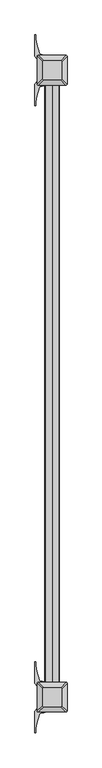
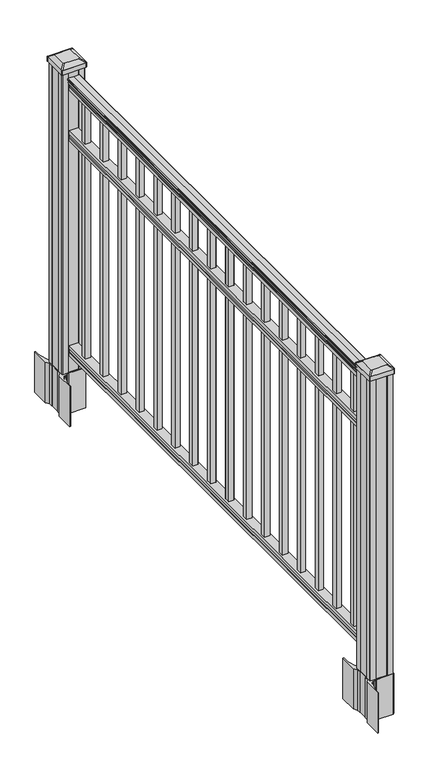
"""IFC4 building model written with IfcOpenShell, lengths in millimetres: railing geometry."""

from ifc_helpers import new_model, si_unit, point, frame, frame_2d, origin, origin_with_axes, place, context, project, spatial, polyline, circle_curve, trimmed, segment, composite_curve, outline, extrude, source, transform, mapped, element, save
from ifc_brep_helpers import plane_surface, extruded_surface, advanced_brep


def railing_04714b37(model_context):
    return source(origin(), model_context, "Body", "SolidModel", [
        extrude(outline(composite_curve([segment(polyline([(1090.8043297, 2185.0080205), (1092.692412, 2185.0080205)]), True, "CONTINUOUS"), segment(trimmed(circle_curve(frame_2d((1098.4506383, 2178.6932672)), 8.545951), [point((1092.692412, 2185.0080205))], [point((1094.2546695, 2186.1382068))], False, "CARTESIAN"), True, "CONTINUOUS"), segment(trimmed(circle_curve(frame_2d((1097.8636577, 2179.1303302)), 7.882584), [point((1094.2546695, 2186.1382068))], [point((1101.4726458, 2186.1382068))], False, "CARTESIAN"), True, "CONTINUOUS"), segment(trimmed(circle_curve(frame_2d((1103.7112527, 2189.6436543)), 4.1592695), [point((1101.4726458, 2186.1382068))], [point((1103.9060812, 2185.4889504))], True, "CARTESIAN"), True, "CONTINUOUS"), segment(trimmed(circle_curve(frame_2d((1103.6508864, 2190.9309609)), 5.4479907), [point((1103.9060812, 2185.4889504))], [point((1108.2362083, 2187.9889504))], True, "CARTESIAN"), True, "CONTINUOUS"), segment(trimmed(circle_curve(frame_2d((1108.233395, 2189.6978025)), 1.7088543), [point((1108.2362083, 2187.9889504))], [point((1109.9157972, 2189.3982929))], True, "CARTESIAN"), True, "CONTINUOUS"), segment(trimmed(circle_curve(frame_2d((1111.0205318, 2188.0809024)), 1.7192895), [point((1109.9157972, 2189.3982929))], [point((1111.0205318, 2189.8001919))], False, "CARTESIAN"), True, "CONTINUOUS"), segment(polyline([(1111.0205318, 2189.8001919), (1112.3608158, 2189.8001918)]), True, "CONTINUOUS"), segment(trimmed(circle_curve(frame_2d((1112.3608158, 2188.2467446)), 1.5534472), [point((1112.3608158, 2189.8001918))], [point((1113.914263, 2188.2467446))], False, "CARTESIAN"), True, "CONTINUOUS"), segment(polyline([(1113.914263, 2188.2467446), (1113.914263, 2167.5751918), (1113.914263, 2146.903639)]), True, "CONTINUOUS"), segment(trimmed(circle_curve(frame_2d((1112.3608158, 2146.903639)), 1.5534472), [point((1113.914263, 2146.903639))], [point((1112.3608158, 2145.3501918))], False, "CARTESIAN"), True, "CONTINUOUS"), segment(polyline([(1112.3608158, 2145.3501918), (1111.0205318, 2145.3501918)]), True, "CONTINUOUS"), segment(trimmed(circle_curve(frame_2d((1111.0205318, 2147.0694812)), 1.7192895), [point((1111.0205318, 2145.3501918))], [point((1109.9157972, 2145.7520907))], False, "CARTESIAN"), True, "CONTINUOUS"), segment(trimmed(circle_curve(frame_2d((1108.233395, 2145.4525811)), 1.7088543), [point((1109.9157972, 2145.7520907))], [point((1108.2362083, 2147.1614332))], True, "CARTESIAN"), True, "CONTINUOUS"), segment(trimmed(circle_curve(frame_2d((1103.6508864, 2144.2194227)), 5.4479907), [point((1108.2362083, 2147.1614332))], [point((1103.9060812, 2149.6614332))], True, "CARTESIAN"), True, "CONTINUOUS"), segment(trimmed(circle_curve(frame_2d((1103.7112527, 2145.5067292)), 4.1592695), [point((1103.9060812, 2149.6614332))], [point((1101.4726458, 2149.0121768))], True, "CARTESIAN"), True, "CONTINUOUS"), segment(trimmed(circle_curve(frame_2d((1097.8636577, 2156.0200534)), 7.882584), [point((1101.4726458, 2149.0121768))], [point((1094.2546695, 2149.0121768))], False, "CARTESIAN"), True, "CONTINUOUS"), segment(trimmed(circle_curve(frame_2d((1098.4506383, 2156.4571163)), 8.545951), [point((1094.2546695, 2149.0121768))], [point((1092.692412, 2150.1423631))], False, "CARTESIAN"), True, "CONTINUOUS"), segment(polyline([(1092.692412, 2150.1423631), (1090.8043297, 2150.1423631)]), True, "CONTINUOUS"), segment(trimmed(circle_curve(frame_2d((1090.8043297, 2151.4292774)), 1.2869144), [point((1090.8043297, 2150.1423631))], [point((1090.8043297, 2152.7161918))], False, "CARTESIAN"), True, "CONTINUOUS"), segment(polyline([(1090.8043297, 2152.7161918), (1080.3048283, 2152.7161918), (1079.2888283, 2151.7001918), (1066.8, 2151.7001918), (1066.8, 2183.4501918), (1079.131013, 2183.4501918), (1080.147013, 2182.4341918), (1090.8043297, 2182.4341918)]), True, "CONTINUOUS"), segment(trimmed(circle_curve(frame_2d((1090.8043297, 2183.7211062)), 1.2869144), [point((1090.8043297, 2182.4341918))], [point((1090.8043297, 2185.0080205))], False, "CARTESIAN"), True, "CONTINUOUS")], self_intersect=False)), frame((0.0, -127774.2908968, 0.0), z_axis=(0.0, 1.0, 0.0), x_axis=(0.0, 0.0, 1.0)), (0.0, 0.0, 1.0), 1828.8),
        extrude(outline(polyline([(888.8541976, 2183.4876787), (890.1546183, 2182.4716787), (900.5141717, 2182.4716787), (901.8624492, 2183.4876787), (914.3958781, 2183.4876787), (914.3958781, 2151.7376787), (901.8458024, 2151.7376787), (900.4975248, 2152.7536787), (890.1858283, 2152.7536787), (888.8375508, 2151.7376787), (876.3, 2151.7376787), (876.3, 2183.4876787), (888.8541976, 2183.4876787)])), frame((0.0, -127774.2908968, 0.0), z_axis=(0.0, 1.0, 0.0), x_axis=(0.0, 0.0, 1.0)), (0.0, 0.0, 1.0), 1828.8),
        extrude(outline(polyline([(76.0541976, 2183.4876787), (77.3546183, 2182.4716787), (87.7141717, 2182.4716787), (89.0624492, 2183.4876787), (101.5958781, 2183.4876787), (101.5958781, 2151.7376787), (89.0458024, 2151.7376787), (87.6975248, 2152.7536787), (77.3858283, 2152.7536787), (76.0375508, 2151.7376787), (63.5, 2151.7376787), (63.5, 2183.4876787), (76.0541976, 2183.4876787)])), frame((0.0, -127774.2908968, 0.0), z_axis=(0.0, 1.0, 0.0), x_axis=(0.0, 0.0, 1.0)), (0.0, 0.0, 1.0), 1828.8),
        extrude(outline(polyline([(2177.1001918, -126034.0098968), (2158.0501918, -126034.0098968), (2158.0501918, -126014.9598968), (2177.1001918, -126014.9598968), (2177.1001918, -126034.0098968)]), holes=[polyline([(2176.7033168, -126033.6130218), (2176.7033168, -126015.3567718), (2158.4470668, -126015.3567718), (2158.4470668, -126033.6130218), (2176.7033168, -126033.6130218)])]), frame((0.0, 0.0, 101.5958781), z_axis=(0.0, 0.0, 1.0), x_axis=(1.0, 0.0, 0.0)), (0.0, 0.0, 1.0), 965.2041219),
        extrude(outline(polyline([(2177.1001918, -126145.2618968), (2158.0501918, -126145.2618968), (2158.0501918, -126126.2118968), (2177.1001918, -126126.2118968), (2177.1001918, -126145.2618968)]), holes=[polyline([(2176.7033168, -126144.8650218), (2176.7033168, -126126.6087718), (2158.4470668, -126126.6087718), (2158.4470668, -126144.8650218), (2176.7033168, -126144.8650218)])]), frame((0.0, 0.0, 101.5958781), z_axis=(0.0, 0.0, 1.0), x_axis=(1.0, 0.0, 0.0)), (0.0, 0.0, 1.0), 965.2041219),
        extrude(outline(polyline([(2177.1001918, -126256.5138968), (2158.0501918, -126256.5138968), (2158.0501918, -126237.4638968), (2177.1001918, -126237.4638968), (2177.1001918, -126256.5138968)]), holes=[polyline([(2176.7033168, -126256.1170218), (2176.7033168, -126237.8607718), (2158.4470668, -126237.8607718), (2158.4470668, -126256.1170218), (2176.7033168, -126256.1170218)])]), frame((0.0, 0.0, 101.5958781), z_axis=(0.0, 0.0, 1.0), x_axis=(1.0, 0.0, 0.0)), (0.0, 0.0, 1.0), 965.2041219),
        extrude(outline(polyline([(2177.1001918, -126367.7658968), (2158.0501918, -126367.7658968), (2158.0501918, -126348.7158968), (2177.1001918, -126348.7158968), (2177.1001918, -126367.7658968)]), holes=[polyline([(2176.7033168, -126367.3690218), (2176.7033168, -126349.1127718), (2158.4470668, -126349.1127718), (2158.4470668, -126367.3690218), (2176.7033168, -126367.3690218)])]), frame((0.0, 0.0, 101.5958781), z_axis=(0.0, 0.0, 1.0), x_axis=(1.0, 0.0, 0.0)), (0.0, 0.0, 1.0), 965.2041219),
        extrude(outline(polyline([(2177.1001918, -126479.0178968), (2158.0501918, -126479.0178968), (2158.0501918, -126459.9678968), (2177.1001918, -126459.9678968), (2177.1001918, -126479.0178968)]), holes=[polyline([(2176.7033168, -126478.6210218), (2176.7033168, -126460.3647718), (2158.4470668, -126460.3647718), (2158.4470668, -126478.6210218), (2176.7033168, -126478.6210218)])]), frame((0.0, 0.0, 101.5958781), z_axis=(0.0, 0.0, 1.0), x_axis=(1.0, 0.0, 0.0)), (0.0, 0.0, 1.0), 965.2041219),
        extrude(outline(polyline([(2177.1001918, -126590.2698968), (2158.0501918, -126590.2698968), (2158.0501918, -126571.2198968), (2177.1001918, -126571.2198968), (2177.1001918, -126590.2698968)]), holes=[polyline([(2176.7033168, -126589.8730218), (2176.7033168, -126571.6167718), (2158.4470668, -126571.6167718), (2158.4470668, -126589.8730218), (2176.7033168, -126589.8730218)])]), frame((0.0, 0.0, 101.5958781), z_axis=(0.0, 0.0, 1.0), x_axis=(1.0, 0.0, 0.0)), (0.0, 0.0, 1.0), 965.2041219),
        extrude(outline(polyline([(2177.1001918, -126701.5218968), (2158.0501918, -126701.5218968), (2158.0501918, -126682.4718968), (2177.1001918, -126682.4718968), (2177.1001918, -126701.5218968)]), holes=[polyline([(2176.7033168, -126701.1250218), (2176.7033168, -126682.8687718), (2158.4470668, -126682.8687718), (2158.4470668, -126701.1250218), (2176.7033168, -126701.1250218)])]), frame((0.0, 0.0, 101.5958781), z_axis=(0.0, 0.0, 1.0), x_axis=(1.0, 0.0, 0.0)), (0.0, 0.0, 1.0), 965.2041219),
        extrude(outline(polyline([(2177.1001918, -126812.7738968), (2158.0501918, -126812.7738968), (2158.0501918, -126793.7238968), (2177.1001918, -126793.7238968), (2177.1001918, -126812.7738968)]), holes=[polyline([(2176.7033168, -126812.3770218), (2176.7033168, -126794.1207718), (2158.4470668, -126794.1207718), (2158.4470668, -126812.3770218), (2176.7033168, -126812.3770218)])]), frame((0.0, 0.0, 101.5958781), z_axis=(0.0, 0.0, 1.0), x_axis=(1.0, 0.0, 0.0)), (0.0, 0.0, 1.0), 965.2041219),
        extrude(outline(polyline([(2177.1001918, -126924.0258968), (2158.0501918, -126924.0258968), (2158.0501918, -126904.9758968), (2177.1001918, -126904.9758968), (2177.1001918, -126924.0258968)]), holes=[polyline([(2176.7033168, -126923.6290218), (2176.7033168, -126905.3727718), (2158.4470668, -126905.3727718), (2158.4470668, -126923.6290218), (2176.7033168, -126923.6290218)])]), frame((0.0, 0.0, 101.5958781), z_axis=(0.0, 0.0, 1.0), x_axis=(1.0, 0.0, 0.0)), (0.0, 0.0, 1.0), 965.2041219),
        extrude(outline(polyline([(2177.1001918, -127035.2778968), (2158.0501918, -127035.2778968), (2158.0501918, -127016.2278968), (2177.1001918, -127016.2278968), (2177.1001918, -127035.2778968)]), holes=[polyline([(2176.7033168, -127034.8810218), (2176.7033168, -127016.6247718), (2158.4470668, -127016.6247718), (2158.4470668, -127034.8810218), (2176.7033168, -127034.8810218)])]), frame((0.0, 0.0, 101.5958781), z_axis=(0.0, 0.0, 1.0), x_axis=(1.0, 0.0, 0.0)), (0.0, 0.0, 1.0), 965.2041219),
        extrude(outline(polyline([(2177.1001918, -127146.5298968), (2158.0501918, -127146.5298968), (2158.0501918, -127127.4798968), (2177.1001918, -127127.4798968), (2177.1001918, -127146.5298968)]), holes=[polyline([(2176.7033168, -127146.1330218), (2176.7033168, -127127.8767718), (2158.4470668, -127127.8767718), (2158.4470668, -127146.1330218), (2176.7033168, -127146.1330218)])]), frame((0.0, 0.0, 101.5958781), z_axis=(0.0, 0.0, 1.0), x_axis=(1.0, 0.0, 0.0)), (0.0, 0.0, 1.0), 965.2041219),
        extrude(outline(polyline([(2177.1001918, -127257.7818968), (2158.0501918, -127257.7818968), (2158.0501918, -127238.7318968), (2177.1001918, -127238.7318968), (2177.1001918, -127257.7818968)]), holes=[polyline([(2176.7033168, -127257.3850218), (2176.7033168, -127239.1287718), (2158.4470668, -127239.1287718), (2158.4470668, -127257.3850218), (2176.7033168, -127257.3850218)])]), frame((0.0, 0.0, 101.5958781), z_axis=(0.0, 0.0, 1.0), x_axis=(1.0, 0.0, 0.0)), (0.0, 0.0, 1.0), 965.2041219),
        extrude(outline(polyline([(2177.1001918, -127369.0338968), (2158.0501918, -127369.0338968), (2158.0501918, -127349.9838968), (2177.1001918, -127349.9838968), (2177.1001918, -127369.0338968)]), holes=[polyline([(2176.7033168, -127368.6370218), (2176.7033168, -127350.3807718), (2158.4470668, -127350.3807718), (2158.4470668, -127368.6370218), (2176.7033168, -127368.6370218)])]), frame((0.0, 0.0, 101.5958781), z_axis=(0.0, 0.0, 1.0), x_axis=(1.0, 0.0, 0.0)), (0.0, 0.0, 1.0), 965.2041219),
        extrude(outline(polyline([(2177.1001918, -127480.2858968), (2158.0501918, -127480.2858968), (2158.0501918, -127461.2358968), (2177.1001918, -127461.2358968), (2177.1001918, -127480.2858968)]), holes=[polyline([(2176.7033168, -127479.8890218), (2176.7033168, -127461.6327718), (2158.4470668, -127461.6327718), (2158.4470668, -127479.8890218), (2176.7033168, -127479.8890218)])]), frame((0.0, 0.0, 101.5958781), z_axis=(0.0, 0.0, 1.0), x_axis=(1.0, 0.0, 0.0)), (0.0, 0.0, 1.0), 965.2041219),
        extrude(outline(polyline([(2177.1001918, -127591.5378968), (2158.0501918, -127591.5378968), (2158.0501918, -127572.4878968), (2177.1001918, -127572.4878968), (2177.1001918, -127591.5378968)]), holes=[polyline([(2176.7033168, -127591.1410218), (2176.7033168, -127572.8847718), (2158.4470668, -127572.8847718), (2158.4470668, -127591.1410218), (2176.7033168, -127591.1410218)])]), frame((0.0, 0.0, 101.5958781), z_axis=(0.0, 0.0, 1.0), x_axis=(1.0, 0.0, 0.0)), (0.0, 0.0, 1.0), 965.2041219),
        extrude(outline(polyline([(2177.1001918, -127702.7898968), (2158.0501918, -127702.7898968), (2158.0501918, -127683.7398968), (2177.1001918, -127683.7398968), (2177.1001918, -127702.7898968)]), holes=[polyline([(2176.7033168, -127702.3930218), (2176.7033168, -127684.1367718), (2158.4470668, -127684.1367718), (2158.4470668, -127702.3930218), (2176.7033168, -127702.3930218)])]), frame((0.0, 0.0, 101.5958781), z_axis=(0.0, 0.0, 1.0), x_axis=(1.0, 0.0, 0.0)), (0.0, 0.0, 1.0), 965.2041219),
        extrude(outline(composite_curve([segment(polyline([(2210.3106918, -125921.4749917), (2211.8981918, -125922.2369917), (2211.8981918, -125945.0389198), (2208.5252147, -125948.4118968), (2147.0655439, -125948.4118968), (2147.0655439, -125949.3326468), (2141.7480001, -125949.3326468), (2141.7480001, -125950.7869015), (2136.6634704, -125950.7869015), (2136.6634704, -125952.0709253), (2134.9961981, -125952.0709253)]), True, "CONTINUOUS"), segment(trimmed(circle_curve(frame_2d((2134.9961981, -125959.1303852)), 7.0594599), [point((2134.9961981, -125952.0709253))], [point((2128.2289352, -125957.1203785))], True, "CARTESIAN"), True, "CONTINUOUS"), segment(polyline([(2128.2289352, -125957.1203785), (2120.354741, -125983.6311076)]), True, "CONTINUOUS"), segment(trimmed(circle_curve(frame_2d((2175.1392543, -125999.9031573)), 57.15), [point((2120.354741, -125983.6311076))], [point((2117.9892543, -125999.9031573))], True, "CARTESIAN"), True, "CONTINUOUS"), segment(polyline([(2117.9892543, -125999.9031573), (2117.9892543, -126011.9118968), (2114.9892543, -126011.9118968), (2114.9892543, -125946.8243968), (2123.2521918, -125935.4861055), (2123.2521918, -125922.2369917), (2124.8396918, -125921.4749917), (2124.8396918, -125886.702802), (2123.2521918, -125885.940802), (2123.2521918, -125872.6916882), (2114.9892543, -125861.3533968), (2114.9892543, -125796.2658968), (2117.9892543, -125796.2658968), (2117.9892543, -125808.2746364)]), True, "CONTINUOUS"), segment(trimmed(circle_curve(frame_2d((2175.1392543, -125808.2746364)), 57.15), [point((2117.9892543, -125808.2746364))], [point((2120.354741, -125824.546686))], True, "CARTESIAN"), True, "CONTINUOUS"), segment(polyline([(2120.354741, -125824.546686), (2128.2289352, -125851.0574151)]), True, "CONTINUOUS"), segment(trimmed(circle_curve(frame_2d((2134.9961981, -125849.0474085)), 7.0594599), [point((2128.2289352, -125851.0574151))], [point((2134.9961981, -125856.1068683))], True, "CARTESIAN"), True, "CONTINUOUS"), segment(polyline([(2134.9961981, -125856.1068683), (2136.6634704, -125856.1068683), (2136.6634704, -125857.3908921), (2141.7480001, -125857.3908921), (2141.7480001, -125858.8451468), (2147.0655439, -125858.8451468), (2147.0655439, -125859.7658968), (2208.5252147, -125859.7658968), (2211.8981918, -125863.1388739), (2211.8981918, -125885.940802), (2210.3106918, -125886.702802), (2210.3106918, -125921.4749917)]), True, "CONTINUOUS")], self_intersect=False), holes=[polyline([(2126.3001918, -125864.4013968), (2126.3001918, -125943.7763968), (2127.8876918, -125945.3638968), (2164.8119744, -125945.3638968), (2207.2626918, -125945.3638968), (2208.8501918, -125943.7763968), (2208.8501918, -125864.4013968), (2207.2626918, -125862.8138968), (2164.8119744, -125862.8138968), (2127.8876918, -125862.8138968), (2126.3001918, -125864.4013968)])]), frame((0.0, 0.0, -152.4), z_axis=(0.0, 0.0, 1.0), x_axis=(1.0, 0.0, 0.0)), (0.0, 0.0, 1.0), 152.4),
        advanced_brep(
        [(2141.7783168, -125933.0607718, 1165.225), (2193.3720668, -125933.0607718, 1165.225), (2196.5470668, -125929.8857718, 1165.225), (2196.5470668, -125878.2920218, 1165.225), (2193.3720668, -125875.1170218, 1165.225), (2141.7783168, -125875.1170218, 1165.225), (2138.6033168, -125878.2920218, 1165.225), (2138.6033168, -125929.8857718, 1165.225), (2125.5064418, -125949.3326468, 1153.922), (2122.3314418, -125946.1576468, 1153.922), (2122.3314418, -125862.0201468, 1153.922), (2125.5064418, -125858.8451468, 1153.922), (2209.6439418, -125858.8451468, 1153.922), (2212.8189418, -125862.0201468, 1153.922), (2212.8189418, -125946.1576468, 1153.922), (2209.6439418, -125949.3326468, 1153.922)],
        [
            (0, 1),
            (1, 2, circle_curve(frame((2193.3720668, -125929.8857718, 1165.225), z_axis=(0.0, 0.0, 1.0), x_axis=(0.0, 1.0, 0.0)), 3.175)),
            (2, 3),
            (3, 4, circle_curve(frame((2193.3720668, -125878.2920218, 1165.225), z_axis=(0.0, 0.0, 1.0), x_axis=(0.0, 1.0, 0.0)), 3.175)),
            (4, 5),
            (5, 6, circle_curve(frame((2141.7783168, -125878.2920218, 1165.225), z_axis=(0.0, 0.0, 1.0), x_axis=(0.0, 1.0, 0.0)), 3.175)),
            (6, 7),
            (7, 0, circle_curve(frame((2141.7783168, -125929.8857718, 1165.225), z_axis=(0.0, 0.0, 1.0), x_axis=(0.0, 1.0, 0.0)), 3.175)),
            (8, 9, circle_curve(frame((2125.5064418, -125946.1576468, 1153.922), z_axis=(0.0, 0.0, -1.0), x_axis=(0.0, 1.0, 0.0)), 3.175)),
            (9, 10),
            (10, 11, circle_curve(frame((2125.5064418, -125862.0201468, 1153.922), z_axis=(0.0, 0.0, -1.0), x_axis=(0.0, 1.0, 0.0)), 3.175)),
            (11, 12),
            (12, 13, circle_curve(frame((2209.6439418, -125862.0201468, 1153.922), z_axis=(0.0, 0.0, -1.0), x_axis=(0.0, 1.0, 0.0)), 3.175)),
            (13, 14),
            (14, 15, circle_curve(frame((2209.6439418, -125946.1576468, 1153.922), z_axis=(0.0, 0.0, -1.0), x_axis=(0.0, 1.0, 0.0)), 3.175)),
            (15, 8),
            (8, 0),
            (7, 9),
            (6, 10),
            (5, 11),
            (4, 12),
            (3, 13),
            (2, 14),
            (1, 15),
        ],
        [
            plane_surface(frame((2167.5751918, -125904.0888968, 1165.225), z_axis=(0.0, 0.0, 1.0), x_axis=(-1.0, 0.0, 0.0))),
            plane_surface(frame((2167.5751918, -125904.0888968, 1153.922), z_axis=(0.0, 0.0, -1.0), x_axis=(-1.0, 0.0, 0.0))),
            extruded_surface(trimmed(circle_curve(frame((2141.7783168, -125929.8857718, 1165.225), z_axis=(0.0, 0.0, -1.0), x_axis=(0.0, 1.0, 0.0)), 3.175), [point((2141.7783168, -125933.0607718, 1165.225))], [point((2138.6033168, -125929.8857718, 1165.225))], True, "CARTESIAN"), (-16.27187499999991, -16.27187499999127, -11.302999999999884), 25.63797263886051),
            plane_surface(frame((2122.3314418, -125904.0888968, 1153.922), z_axis=(-0.5705009161540777, 0.0, 0.8212969649690409), x_axis=(0.0, 1.0, 0.0))),
            extruded_surface(trimmed(circle_curve(frame((2141.7783168, -125878.2920218, 1165.225), z_axis=(0.0, 0.0, -1.0), x_axis=(0.0, 1.0, 0.0)), 3.175), [point((2138.6033168, -125878.2920218, 1165.225))], [point((2141.7783168, -125875.1170218, 1165.225))], True, "CARTESIAN"), (-16.27187499999991, 16.27187500000582, -11.302999999999884), 25.637972638869748),
            plane_surface(frame((2167.5751918, -125858.8451468, 1153.922), z_axis=(0.0, 0.5705009161540291, 0.8212969649690747), x_axis=(1.0, 0.0, 0.0))),
            extruded_surface(trimmed(circle_curve(frame((2193.3720668, -125878.2920218, 1165.225), z_axis=(0.0, 0.0, -1.0), x_axis=(0.0, 1.0, 0.0)), 3.175), [point((2193.3720668, -125875.1170218, 1165.225))], [point((2196.5470668, -125878.2920218, 1165.225))], True, "CARTESIAN"), (16.27187499999991, 16.27187500000582, -11.302999999999884), 25.637972638869748),
            plane_surface(frame((2212.8189418, -125904.0888968, 1153.922), z_axis=(0.5705009161540143, 0.0, 0.821296964969085), x_axis=(0.0, -1.0, 0.0))),
            extruded_surface(trimmed(circle_curve(frame((2193.3720668, -125929.8857718, 1165.225), z_axis=(0.0, 0.0, -1.0), x_axis=(0.0, 1.0, 0.0)), 3.175), [point((2196.5470668, -125929.8857718, 1165.225))], [point((2193.3720668, -125933.0607718, 1165.225))], True, "CARTESIAN"), (16.27187499999991, -16.27187499999127, -11.302999999999884), 25.63797263886051),
            plane_surface(frame((2167.5751918, -125949.3326468, 1153.922), z_axis=(0.0, -0.570500916154034, 0.8212969649690713), x_axis=(-1.0, 0.0, 0.0))),
        ],
        [
            (0, [[1, 2, 3, 4, 5, 6, 7, 8]]),
            (1, [[9, 10, 11, 12, 13, 14, 15, 16]]),
            (2, [[17, -8, 18, -9]]),
            (3, [[-18, -7, 19, -10]]),
            (4, [[-19, -6, 20, -11]]),
            (5, [[-20, -5, 21, -12]]),
            (6, [[-21, -4, 22, -13]]),
            (7, [[-22, -3, 23, -14]]),
            (8, [[-23, -2, 24, -15]]),
            (9, [[-24, -1, -17, -16]]),
        ],
    ),
        extrude(outline(composite_curve([segment(trimmed(circle_curve(frame_2d((2125.5064418, -125946.1576468)), 3.175), [point((2125.5064418, -125949.3326468))], [point((2122.3314418, -125946.1576468))], False, "CARTESIAN"), True, "CONTINUOUS"), segment(polyline([(2122.3314418, -125946.1576468), (2122.3314418, -125862.0201468)]), True, "CONTINUOUS"), segment(trimmed(circle_curve(frame_2d((2125.5064418, -125862.0201468)), 3.175), [point((2122.3314418, -125862.0201468))], [point((2125.5064418, -125858.8451468))], False, "CARTESIAN"), True, "CONTINUOUS"), segment(polyline([(2125.5064418, -125858.8451468), (2209.6439418, -125858.8451468)]), True, "CONTINUOUS"), segment(trimmed(circle_curve(frame_2d((2209.6439418, -125862.0201468)), 3.175), [point((2209.6439418, -125858.8451468))], [point((2212.8189418, -125862.0201468))], False, "CARTESIAN"), True, "CONTINUOUS"), segment(polyline([(2212.8189418, -125862.0201468), (2212.8189418, -125946.1576468)]), True, "CONTINUOUS"), segment(trimmed(circle_curve(frame_2d((2209.6439418, -125946.1576468)), 3.175), [point((2212.8189418, -125946.1576468))], [point((2209.6439418, -125949.3326468))], False, "CARTESIAN"), True, "CONTINUOUS"), segment(polyline([(2209.6439418, -125949.3326468), (2125.5064418, -125949.3326468)]), True, "CONTINUOUS")], self_intersect=False)), frame((0.0, 0.0, 1136.65), z_axis=(0.0, 0.0, 1.0), x_axis=(1.0, 0.0, 0.0)), (0.0, 0.0, 1.0), 17.272),
        extrude(outline(polyline([(2127.8876918, -125945.3638968), (2126.3001918, -125943.7763968), (2126.3001918, -125924.1548968), (2127.8876918, -125923.3928968), (2127.8876918, -125884.7848968), (2126.3001918, -125884.0228968), (2126.3001918, -125864.4013968), (2127.8876918, -125862.8138968), (2147.5091918, -125862.8138968), (2148.2711918, -125864.4013968), (2186.8791918, -125864.4013968), (2187.6411918, -125862.8138968), (2207.2626918, -125862.8138968), (2208.8501918, -125864.4013968), (2208.8501918, -125884.0228968), (2207.2626918, -125884.7848968), (2207.2626918, -125923.3928968), (2208.8501918, -125924.1548968), (2208.8501918, -125943.7763968), (2207.2626918, -125945.3638968), (2187.6411918, -125945.3638968), (2186.8791918, -125943.7763968), (2148.2711918, -125943.7763968), (2147.5091918, -125945.3638968), (2127.8876918, -125945.3638968)])), origin_with_axes(), (0.0, 0.0, 1.0), 1136.65),
        extrude(outline(composite_curve([segment(polyline([(2210.3106918, -127833.0789917), (2211.8981918, -127833.8409917), (2211.8981918, -127856.6429198), (2208.5252147, -127860.0158968), (2147.0655439, -127860.0158968), (2147.0655439, -127860.9366468), (2141.7480001, -127860.9366468), (2141.7480001, -127862.3909015), (2136.6634704, -127862.3909015), (2136.6634704, -127863.6749253), (2134.9961981, -127863.6749253)]), True, "CONTINUOUS"), segment(trimmed(circle_curve(frame_2d((2134.9961981, -127870.7343852)), 7.0594599), [point((2134.9961981, -127863.6749253))], [point((2128.2289352, -127868.7243785))], True, "CARTESIAN"), True, "CONTINUOUS"), segment(polyline([(2128.2289352, -127868.7243785), (2120.354741, -127895.2351076)]), True, "CONTINUOUS"), segment(trimmed(circle_curve(frame_2d((2175.1392543, -127911.5071573)), 57.15), [point((2120.354741, -127895.2351076))], [point((2117.9892543, -127911.5071573))], True, "CARTESIAN"), True, "CONTINUOUS"), segment(polyline([(2117.9892543, -127911.5071573), (2117.9892543, -127923.5158968), (2114.9892543, -127923.5158968), (2114.9892543, -127858.4283968), (2123.2521918, -127847.0901055), (2123.2521918, -127833.8409917), (2124.8396918, -127833.0789917), (2124.8396918, -127798.306802), (2123.2521918, -127797.544802), (2123.2521918, -127784.2956882), (2114.9892543, -127772.9573968), (2114.9892543, -127707.8698968), (2117.9892543, -127707.8698968), (2117.9892543, -127719.8786364)]), True, "CONTINUOUS"), segment(trimmed(circle_curve(frame_2d((2175.1392543, -127719.8786364)), 57.15), [point((2117.9892543, -127719.8786364))], [point((2120.354741, -127736.150686))], True, "CARTESIAN"), True, "CONTINUOUS"), segment(polyline([(2120.354741, -127736.150686), (2128.2289352, -127762.6614151)]), True, "CONTINUOUS"), segment(trimmed(circle_curve(frame_2d((2134.9961981, -127760.6514085)), 7.0594599), [point((2128.2289352, -127762.6614151))], [point((2134.9961981, -127767.7108683))], True, "CARTESIAN"), True, "CONTINUOUS"), segment(polyline([(2134.9961981, -127767.7108683), (2136.6634704, -127767.7108683), (2136.6634704, -127768.9948921), (2141.7480001, -127768.9948921), (2141.7480001, -127770.4491468), (2147.0655439, -127770.4491468), (2147.0655439, -127771.3698968), (2208.5252147, -127771.3698968), (2211.8981918, -127774.7428739), (2211.8981918, -127797.544802), (2210.3106918, -127798.306802), (2210.3106918, -127833.0789917)]), True, "CONTINUOUS")], self_intersect=False), holes=[polyline([(2126.3001918, -127776.0053968), (2126.3001918, -127855.3803968), (2127.8876918, -127856.9678968), (2164.8119744, -127856.9678968), (2207.2626918, -127856.9678968), (2208.8501918, -127855.3803968), (2208.8501918, -127776.0053968), (2207.2626918, -127774.4178968), (2164.8119744, -127774.4178968), (2127.8876918, -127774.4178968), (2126.3001918, -127776.0053968)])]), frame((0.0, 0.0, -152.4), z_axis=(0.0, 0.0, 1.0), x_axis=(1.0, 0.0, 0.0)), (0.0, 0.0, 1.0), 152.4),
        advanced_brep(
        [(2141.7783168, -127844.6647718, 1165.225), (2193.3720668, -127844.6647718, 1165.225), (2196.5470668, -127841.4897718, 1165.225), (2196.5470668, -127789.8960218, 1165.225), (2193.3720668, -127786.7210218, 1165.225), (2141.7783168, -127786.7210218, 1165.225), (2138.6033168, -127789.8960218, 1165.225), (2138.6033168, -127841.4897718, 1165.225), (2125.5064418, -127860.9366468, 1153.922), (2122.3314418, -127857.7616468, 1153.922), (2122.3314418, -127773.6241468, 1153.922), (2125.5064418, -127770.4491468, 1153.922), (2209.6439418, -127770.4491468, 1153.922), (2212.8189418, -127773.6241468, 1153.922), (2212.8189418, -127857.7616468, 1153.922), (2209.6439418, -127860.9366468, 1153.922)],
        [
            (0, 1),
            (1, 2, circle_curve(frame((2193.3720668, -127841.4897718, 1165.225), z_axis=(0.0, 0.0, 1.0), x_axis=(0.0, 1.0, 0.0)), 3.175)),
            (2, 3),
            (3, 4, circle_curve(frame((2193.3720668, -127789.8960218, 1165.225), z_axis=(0.0, 0.0, 1.0), x_axis=(0.0, 1.0, 0.0)), 3.175)),
            (4, 5),
            (5, 6, circle_curve(frame((2141.7783168, -127789.8960218, 1165.225), z_axis=(0.0, 0.0, 1.0), x_axis=(0.0, 1.0, 0.0)), 3.175)),
            (6, 7),
            (7, 0, circle_curve(frame((2141.7783168, -127841.4897718, 1165.225), z_axis=(0.0, 0.0, 1.0), x_axis=(0.0, 1.0, 0.0)), 3.175)),
            (8, 9, circle_curve(frame((2125.5064418, -127857.7616468, 1153.922), z_axis=(0.0, 0.0, -1.0), x_axis=(0.0, 1.0, 0.0)), 3.175)),
            (9, 10),
            (10, 11, circle_curve(frame((2125.5064418, -127773.6241468, 1153.922), z_axis=(0.0, 0.0, -1.0), x_axis=(0.0, 1.0, 0.0)), 3.175)),
            (11, 12),
            (12, 13, circle_curve(frame((2209.6439418, -127773.6241468, 1153.922), z_axis=(0.0, 0.0, -1.0), x_axis=(0.0, 1.0, 0.0)), 3.175)),
            (13, 14),
            (14, 15, circle_curve(frame((2209.6439418, -127857.7616468, 1153.922), z_axis=(0.0, 0.0, -1.0), x_axis=(0.0, 1.0, 0.0)), 3.175)),
            (15, 8),
            (8, 0),
            (7, 9),
            (6, 10),
            (5, 11),
            (4, 12),
            (3, 13),
            (2, 14),
            (1, 15),
        ],
        [
            plane_surface(frame((2167.5751918, -127815.6928968, 1165.225), z_axis=(0.0, 0.0, 1.0), x_axis=(-1.0, 0.0, 0.0))),
            plane_surface(frame((2167.5751918, -127815.6928968, 1153.922), z_axis=(0.0, 0.0, -1.0), x_axis=(-1.0, 0.0, 0.0))),
            extruded_surface(trimmed(circle_curve(frame((2141.7783168, -127841.4897718, 1165.225), z_axis=(0.0, 0.0, -1.0), x_axis=(0.0, 1.0, 0.0)), 3.175), [point((2141.7783168, -127844.6647718, 1165.225))], [point((2138.6033168, -127841.4897718, 1165.225))], True, "CARTESIAN"), (-16.27187499999991, -16.27187500000582, -11.302999999999884), 25.637972638869748),
            plane_surface(frame((2122.3314418, -127815.6928968, 1153.922), z_axis=(-0.5705009161540777, 0.0, 0.8212969649690409), x_axis=(0.0, 1.0, 0.0))),
            extruded_surface(trimmed(circle_curve(frame((2141.7783168, -127789.8960218, 1165.225), z_axis=(0.0, 0.0, -1.0), x_axis=(0.0, 1.0, 0.0)), 3.175), [point((2138.6033168, -127789.8960218, 1165.225))], [point((2141.7783168, -127786.7210218, 1165.225))], True, "CARTESIAN"), (-16.27187499999991, 16.27187500000582, -11.302999999999884), 25.637972638869748),
            plane_surface(frame((2167.5751918, -127770.4491468, 1153.922), z_axis=(0.0, 0.5705009161540291, 0.8212969649690747), x_axis=(1.0, 0.0, 0.0))),
            extruded_surface(trimmed(circle_curve(frame((2193.3720668, -127789.8960218, 1165.225), z_axis=(0.0, 0.0, -1.0), x_axis=(0.0, 1.0, 0.0)), 3.175), [point((2193.3720668, -127786.7210218, 1165.225))], [point((2196.5470668, -127789.8960218, 1165.225))], True, "CARTESIAN"), (16.27187499999991, 16.27187500000582, -11.302999999999884), 25.637972638869748),
            plane_surface(frame((2212.8189418, -127815.6928968, 1153.922), z_axis=(0.5705009161540143, 0.0, 0.821296964969085), x_axis=(0.0, -1.0, 0.0))),
            extruded_surface(trimmed(circle_curve(frame((2193.3720668, -127841.4897718, 1165.225), z_axis=(0.0, 0.0, -1.0), x_axis=(0.0, 1.0, 0.0)), 3.175), [point((2196.5470668, -127841.4897718, 1165.225))], [point((2193.3720668, -127844.6647718, 1165.225))], True, "CARTESIAN"), (16.27187499999991, -16.27187500000582, -11.302999999999884), 25.637972638869748),
            plane_surface(frame((2167.5751918, -127860.9366468, 1153.922), z_axis=(0.0, -0.570500916154034, 0.8212969649690713), x_axis=(-1.0, 0.0, 0.0))),
        ],
        [
            (0, [[1, 2, 3, 4, 5, 6, 7, 8]]),
            (1, [[9, 10, 11, 12, 13, 14, 15, 16]]),
            (2, [[17, -8, 18, -9]]),
            (3, [[-18, -7, 19, -10]]),
            (4, [[-19, -6, 20, -11]]),
            (5, [[-20, -5, 21, -12]]),
            (6, [[-21, -4, 22, -13]]),
            (7, [[-22, -3, 23, -14]]),
            (8, [[-23, -2, 24, -15]]),
            (9, [[-24, -1, -17, -16]]),
        ],
    ),
        extrude(outline(composite_curve([segment(trimmed(circle_curve(frame_2d((2125.5064418, -127857.7616468)), 3.175), [point((2125.5064418, -127860.9366468))], [point((2122.3314418, -127857.7616468))], False, "CARTESIAN"), True, "CONTINUOUS"), segment(polyline([(2122.3314418, -127857.7616468), (2122.3314418, -127773.6241468)]), True, "CONTINUOUS"), segment(trimmed(circle_curve(frame_2d((2125.5064418, -127773.6241468)), 3.175), [point((2122.3314418, -127773.6241468))], [point((2125.5064418, -127770.4491468))], False, "CARTESIAN"), True, "CONTINUOUS"), segment(polyline([(2125.5064418, -127770.4491468), (2209.6439418, -127770.4491468)]), True, "CONTINUOUS"), segment(trimmed(circle_curve(frame_2d((2209.6439418, -127773.6241468)), 3.175), [point((2209.6439418, -127770.4491468))], [point((2212.8189418, -127773.6241468))], False, "CARTESIAN"), True, "CONTINUOUS"), segment(polyline([(2212.8189418, -127773.6241468), (2212.8189418, -127857.7616468)]), True, "CONTINUOUS"), segment(trimmed(circle_curve(frame_2d((2209.6439418, -127857.7616468)), 3.175), [point((2212.8189418, -127857.7616468))], [point((2209.6439418, -127860.9366468))], False, "CARTESIAN"), True, "CONTINUOUS"), segment(polyline([(2209.6439418, -127860.9366468), (2125.5064418, -127860.9366468)]), True, "CONTINUOUS")], self_intersect=False)), frame((0.0, 0.0, 1136.65), z_axis=(0.0, 0.0, 1.0), x_axis=(1.0, 0.0, 0.0)), (0.0, 0.0, 1.0), 17.272),
        extrude(outline(polyline([(2127.8876918, -127856.9678968), (2126.3001918, -127855.3803968), (2126.3001918, -127835.7588968), (2127.8876918, -127834.9968968), (2127.8876918, -127796.3888968), (2126.3001918, -127795.6268968), (2126.3001918, -127776.0053968), (2127.8876918, -127774.4178968), (2147.5091918, -127774.4178968), (2148.2711918, -127776.0053968), (2186.8791918, -127776.0053968), (2187.6411918, -127774.4178968), (2207.2626918, -127774.4178968), (2208.8501918, -127776.0053968), (2208.8501918, -127795.6268968), (2207.2626918, -127796.3888968), (2207.2626918, -127834.9968968), (2208.8501918, -127835.7588968), (2208.8501918, -127855.3803968), (2207.2626918, -127856.9678968), (2187.6411918, -127856.9678968), (2186.8791918, -127855.3803968), (2148.2711918, -127855.3803968), (2147.5091918, -127856.9678968), (2127.8876918, -127856.9678968)])), origin_with_axes(), (0.0, 0.0, 1.0), 1136.65),
    ])


if __name__ == "__main__":
    model = new_model("IFC4")
    model_context = context("Model", 3, world=origin())
    ifc_project = project(units=[si_unit("LENGTHUNIT", "METRE", prefix="MILLI")], contexts=[model_context])
    site = spatial("IfcSite", under=ifc_project)
    building = spatial("IfcBuilding", under=site)
    placement = place(None, origin())
    railing_shape = railing_04714b37(model_context)
    element("IfcRailing", 1, at=placement, inside=building, context=model_context, shape_type="MappedRepresentation", body=[
        mapped(railing_shape, transform((0.0, 0.0, 0.0), x_axis=(1.0, 0.0, 0.0), y_axis=(0.0, 1.0, 0.0), z_axis=(0.0, 0.0, 1.0))),
    ])
    save(model, "model.ifc")
